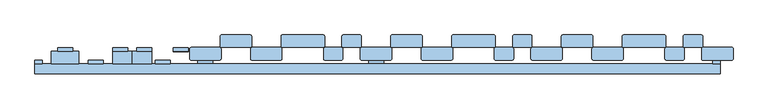
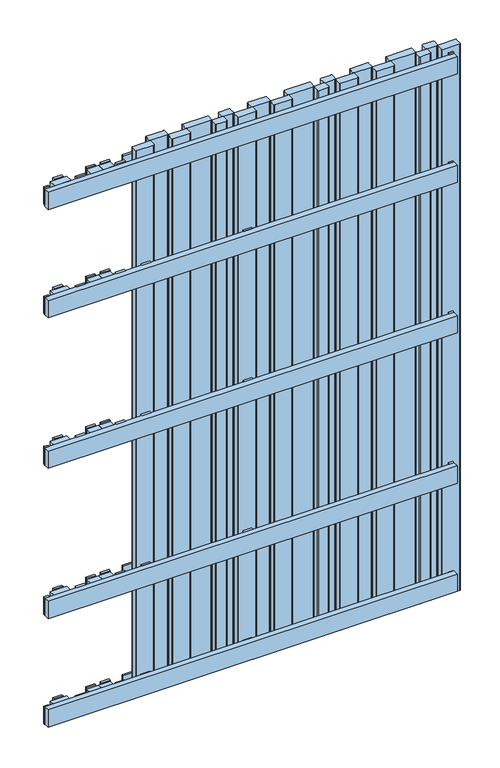
"""IFC4 building model written with IfcOpenShell, lengths in millimetres: window geometry."""

from ifc_helpers import new_model, si_unit, point, frame, frame_2d, origin, place, context, project, spatial, polyline, circle_curve, trimmed, segment, composite_curve, outline, extrude, source, transform, mapped, element, save


def window_98e68036(model_context):
    return source(origin(), model_context, "Body", "SweptSolid", [
        extrude(outline(polyline([(-419.0011808, 146.0), (-419.0011808, 153.9), (-388.0011808, 153.9), (-388.0011808, 146.0), (-419.0011808, 146.0)])), frame((0.0, 0.0, 518.5), z_axis=(0.0, 0.0, 1.0), x_axis=(1.0, 0.0, 0.0)), (0.0, 0.0, 1.0), 63.0),
        extrude(outline(polyline([(-419.0011808, 146.0), (-419.0011808, 153.9), (-388.0011808, 153.9), (-388.0011808, 146.0), (-419.0011808, 146.0)])), frame((0.0, 0.0, 2019.0), z_axis=(0.0, 0.0, 1.0), x_axis=(1.0, 0.0, 0.0)), (0.0, 0.0, 1.0), 63.0),
        extrude(outline(polyline([(-419.0011808, 146.0), (-419.0011808, 153.9), (-388.0011808, 153.9), (-388.0011808, 146.0), (-419.0011808, 146.0)])), frame((0.0, 0.0, 118.0), z_axis=(0.0, 0.0, 1.0), x_axis=(1.0, 0.0, 0.0)), (0.0, 0.0, 1.0), 63.0),
        extrude(outline(polyline([(-457.0011808, 120.0), (-457.0011808, 127.9), (-426.0011808, 127.9), (-426.0011808, 120.0), (-457.0011808, 120.0)])), frame((0.0, 0.0, 1618.5), z_axis=(0.0, 0.0, 1.0), x_axis=(1.0, 0.0, 0.0)), (0.0, 0.0, 1.0), 63.0),
        extrude(outline(polyline([(-457.0011808, 120.0), (-457.0011808, 127.9), (-426.0011808, 127.9), (-426.0011808, 120.0), (-457.0011808, 120.0)])), frame((0.0, 0.0, 1068.5), z_axis=(0.0, 0.0, 1.0), x_axis=(1.0, 0.0, 0.0)), (0.0, 0.0, 1.0), 63.0),
        extrude(outline(polyline([(-457.0011808, 120.0), (-457.0011808, 127.9), (-426.0011808, 127.9), (-426.0011808, 120.0), (-457.0011808, 120.0)])), frame((0.0, 0.0, 518.5), z_axis=(0.0, 0.0, 1.0), x_axis=(1.0, 0.0, 0.0)), (0.0, 0.0, 1.0), 63.0),
        extrude(outline(polyline([(-457.0011808, 120.0), (-457.0011808, 127.9), (-426.0011808, 127.9), (-426.0011808, 120.0), (-457.0011808, 120.0)])), frame((0.0, 0.0, 2019.0), z_axis=(0.0, 0.0, 1.0), x_axis=(1.0, 0.0, 0.0)), (0.0, 0.0, 1.0), 63.0),
        extrude(outline(polyline([(-457.0011808, 120.0), (-457.0011808, 127.9), (-426.0011808, 127.9), (-426.0011808, 120.0), (-457.0011808, 120.0)])), frame((0.0, 0.0, 118.0), z_axis=(0.0, 0.0, 1.0), x_axis=(1.0, 0.0, 0.0)), (0.0, 0.0, 1.0), 63.0),
        extrude(outline(polyline([(-504.0, 120.0), (-504.0, 146.0), (-464.0, 146.0), (-464.0, 120.0), (-504.0, 120.0)])), frame((0.0, 0.0, 1622.5), z_axis=(0.0, 0.0, 1.0), x_axis=(1.0, 0.0, 0.0)), (0.0, 0.0, 1.0), 55.0),
        extrude(outline(polyline([(-495.0, 146.0), (-495.0, 153.9), (-464.0, 153.9), (-464.0, 146.0), (-495.0, 146.0)])), frame((0.0, 0.0, 1618.5), z_axis=(0.0, 0.0, 1.0), x_axis=(1.0, 0.0, 0.0)), (0.0, 0.0, 1.0), 63.0),
        extrude(outline(polyline([(-504.0, 120.0), (-504.0, 146.0), (-464.0, 146.0), (-464.0, 120.0), (-504.0, 120.0)])), frame((0.0, 0.0, 2023.0), z_axis=(0.0, 0.0, 1.0), x_axis=(1.0, 0.0, 0.0)), (0.0, 0.0, 1.0), 55.0),
        extrude(outline(polyline([(-504.0, 120.0), (-504.0, 146.0), (-464.0, 146.0), (-464.0, 120.0), (-504.0, 120.0)])), frame((0.0, 0.0, 1072.5), z_axis=(0.0, 0.0, 1.0), x_axis=(1.0, 0.0, 0.0)), (0.0, 0.0, 1.0), 55.0),
        extrude(outline(polyline([(-504.0, 120.0), (-504.0, 146.0), (-464.0, 146.0), (-464.0, 120.0), (-504.0, 120.0)])), frame((0.0, 0.0, 522.5), z_axis=(0.0, 0.0, 1.0), x_axis=(1.0, 0.0, 0.0)), (0.0, 0.0, 1.0), 55.0),
        extrude(outline(polyline([(-504.0, 120.0), (-504.0, 146.0), (-464.0, 146.0), (-464.0, 120.0), (-504.0, 120.0)])), frame((0.0, 0.0, 121.986838), z_axis=(0.0, 0.0, 1.0), x_axis=(1.0, 0.0, 0.0)), (0.0, 0.0, 1.0), 55.0),
        extrude(outline(polyline([(-495.0, 146.0), (-495.0, 153.9), (-464.0, 153.9), (-464.0, 146.0), (-495.0, 146.0)])), frame((0.0, 0.0, 1068.5), z_axis=(0.0, 0.0, 1.0), x_axis=(1.0, 0.0, 0.0)), (0.0, 0.0, 1.0), 63.0),
        extrude(outline(polyline([(-495.0, 146.0), (-495.0, 153.9), (-464.0, 153.9), (-464.0, 146.0), (-495.0, 146.0)])), frame((0.0, 0.0, 518.5), z_axis=(0.0, 0.0, 1.0), x_axis=(1.0, 0.0, 0.0)), (0.0, 0.0, 1.0), 63.0),
        extrude(outline(polyline([(-495.0, 146.0), (-495.0, 153.9), (-464.0, 153.9), (-464.0, 146.0), (-495.0, 146.0)])), frame((0.0, 0.0, 2019.0), z_axis=(0.0, 0.0, 1.0), x_axis=(1.0, 0.0, 0.0)), (0.0, 0.0, 1.0), 63.0),
        extrude(outline(polyline([(-495.0, 146.0), (-495.0, 153.9), (-464.0, 153.9), (-464.0, 146.0), (-495.0, 146.0)])), frame((0.0, 0.0, 118.0), z_axis=(0.0, 0.0, 1.0), x_axis=(1.0, 0.0, 0.0)), (0.0, 0.0, 1.0), 63.0),
        extrude(outline(polyline([(-545.0, 120.0), (-545.0, 146.0), (-504.0, 146.0), (-504.0, 120.0), (-545.0, 120.0)])), frame((0.0, 0.0, 1622.5), z_axis=(0.0, 0.0, 1.0), x_axis=(1.0, 0.0, 0.0)), (0.0, 0.0, 1.0), 55.0),
        extrude(outline(polyline([(-545.0, 146.0), (-545.0, 153.9), (-514.0, 153.9), (-514.0, 146.0), (-545.0, 146.0)])), frame((0.0, 0.0, 1618.5), z_axis=(0.0, 0.0, 1.0), x_axis=(1.0, 0.0, 0.0)), (0.0, 0.0, 1.0), 63.0),
        extrude(outline(polyline([(-545.0, 120.0), (-545.0, 146.0), (-504.0, 146.0), (-504.0, 120.0), (-545.0, 120.0)])), frame((0.0, 0.0, 2023.0), z_axis=(0.0, 0.0, 1.0), x_axis=(1.0, 0.0, 0.0)), (0.0, 0.0, 1.0), 55.0),
        extrude(outline(polyline([(-545.0, 120.0), (-545.0, 146.0), (-504.0, 146.0), (-504.0, 120.0), (-545.0, 120.0)])), frame((0.0, 0.0, 1072.5), z_axis=(0.0, 0.0, 1.0), x_axis=(1.0, 0.0, 0.0)), (0.0, 0.0, 1.0), 55.0),
        extrude(outline(polyline([(-545.0, 120.0), (-545.0, 146.0), (-504.0, 146.0), (-504.0, 120.0), (-545.0, 120.0)])), frame((0.0, 0.0, 522.5), z_axis=(0.0, 0.0, 1.0), x_axis=(1.0, 0.0, 0.0)), (0.0, 0.0, 1.0), 55.0),
        extrude(outline(polyline([(-545.0, 120.0), (-545.0, 146.0), (-504.0, 146.0), (-504.0, 120.0), (-545.0, 120.0)])), frame((0.0, 0.0, 121.986838), z_axis=(0.0, 0.0, 1.0), x_axis=(1.0, 0.0, 0.0)), (0.0, 0.0, 1.0), 55.0),
        extrude(outline(polyline([(-545.0, 146.0), (-545.0, 153.9), (-514.0, 153.9), (-514.0, 146.0), (-545.0, 146.0)])), frame((0.0, 0.0, 1068.5), z_axis=(0.0, 0.0, 1.0), x_axis=(1.0, 0.0, 0.0)), (0.0, 0.0, 1.0), 63.0),
        extrude(outline(polyline([(-545.0, 146.0), (-545.0, 153.9), (-514.0, 153.9), (-514.0, 146.0), (-545.0, 146.0)])), frame((0.0, 0.0, 518.5), z_axis=(0.0, 0.0, 1.0), x_axis=(1.0, 0.0, 0.0)), (0.0, 0.0, 1.0), 63.0),
        extrude(outline(polyline([(-545.0, 146.0), (-545.0, 153.9), (-514.0, 153.9), (-514.0, 146.0), (-545.0, 146.0)])), frame((0.0, 0.0, 2019.0), z_axis=(0.0, 0.0, 1.0), x_axis=(1.0, 0.0, 0.0)), (0.0, 0.0, 1.0), 63.0),
        extrude(outline(polyline([(-545.0, 146.0), (-545.0, 153.9), (-514.0, 153.9), (-514.0, 146.0), (-545.0, 146.0)])), frame((0.0, 0.0, 118.0), z_axis=(0.0, 0.0, 1.0), x_axis=(1.0, 0.0, 0.0)), (0.0, 0.0, 1.0), 63.0),
        extrude(outline(polyline([(-595.5, 120.0), (-595.5, 127.9), (-564.5, 127.9), (-564.5, 120.0), (-595.5, 120.0)])), frame((0.0, 0.0, 1618.5), z_axis=(0.0, 0.0, 1.0), x_axis=(1.0, 0.0, 0.0)), (0.0, 0.0, 1.0), 63.0),
        extrude(outline(polyline([(-595.5, 120.0), (-595.5, 127.9), (-564.5, 127.9), (-564.5, 120.0), (-595.5, 120.0)])), frame((0.0, 0.0, 1068.5), z_axis=(0.0, 0.0, 1.0), x_axis=(1.0, 0.0, 0.0)), (0.0, 0.0, 1.0), 63.0),
        extrude(outline(polyline([(-595.5, 120.0), (-595.5, 127.9), (-564.5, 127.9), (-564.5, 120.0), (-595.5, 120.0)])), frame((0.0, 0.0, 518.5), z_axis=(0.0, 0.0, 1.0), x_axis=(1.0, 0.0, 0.0)), (0.0, 0.0, 1.0), 63.0),
        extrude(outline(polyline([(-595.5, 120.0), (-595.5, 127.9), (-564.5, 127.9), (-564.5, 120.0), (-595.5, 120.0)])), frame((0.0, 0.0, 2019.0), z_axis=(0.0, 0.0, 1.0), x_axis=(1.0, 0.0, 0.0)), (0.0, 0.0, 1.0), 63.0),
        extrude(outline(polyline([(-595.5, 120.0), (-595.5, 127.9), (-564.5, 127.9), (-564.5, 120.0), (-595.5, 120.0)])), frame((0.0, 0.0, 118.0), z_axis=(0.0, 0.0, 1.0), x_axis=(1.0, 0.0, 0.0)), (0.0, 0.0, 1.0), 63.0),
        extrude(outline(polyline([(-671.5, 120.0), (-671.5, 146.0), (-614.5, 146.0), (-614.5, 120.0), (-671.5, 120.0)])), frame((0.0, 0.0, 1622.5), z_axis=(0.0, 0.0, 1.0), x_axis=(1.0, 0.0, 0.0)), (0.0, 0.0, 1.0), 55.0),
        extrude(outline(polyline([(-658.5, 146.0), (-658.5, 153.9), (-627.5, 153.9), (-627.5, 146.0), (-658.5, 146.0)])), frame((0.0, 0.0, 1618.5), z_axis=(0.0, 0.0, 1.0), x_axis=(1.0, 0.0, 0.0)), (0.0, 0.0, 1.0), 63.0),
        extrude(outline(polyline([(-671.5, 120.0), (-671.5, 146.0), (-614.5, 146.0), (-614.5, 120.0), (-671.5, 120.0)])), frame((0.0, 0.0, 2023.0), z_axis=(0.0, 0.0, 1.0), x_axis=(1.0, 0.0, 0.0)), (0.0, 0.0, 1.0), 55.0),
        extrude(outline(polyline([(-671.5, 120.0), (-671.5, 146.0), (-614.5, 146.0), (-614.5, 120.0), (-671.5, 120.0)])), frame((0.0, 0.0, 1072.5), z_axis=(0.0, 0.0, 1.0), x_axis=(1.0, 0.0, 0.0)), (0.0, 0.0, 1.0), 55.0),
        extrude(outline(polyline([(-671.5, 120.0), (-671.5, 146.0), (-614.5, 146.0), (-614.5, 120.0), (-671.5, 120.0)])), frame((0.0, 0.0, 522.5), z_axis=(0.0, 0.0, 1.0), x_axis=(1.0, 0.0, 0.0)), (0.0, 0.0, 1.0), 55.0),
        extrude(outline(polyline([(-671.5, 120.0), (-671.5, 146.0), (-614.5, 146.0), (-614.5, 120.0), (-671.5, 120.0)])), frame((0.0, 0.0, 121.986838), z_axis=(0.0, 0.0, 1.0), x_axis=(1.0, 0.0, 0.0)), (0.0, 0.0, 1.0), 55.0),
        extrude(outline(polyline([(-658.5, 146.0), (-658.5, 153.9), (-627.5, 153.9), (-627.5, 146.0), (-658.5, 146.0)])), frame((0.0, 0.0, 1068.5), z_axis=(0.0, 0.0, 1.0), x_axis=(1.0, 0.0, 0.0)), (0.0, 0.0, 1.0), 63.0),
        extrude(outline(polyline([(-658.5, 146.0), (-658.5, 153.9), (-627.5, 153.9), (-627.5, 146.0), (-658.5, 146.0)])), frame((0.0, 0.0, 518.5), z_axis=(0.0, 0.0, 1.0), x_axis=(1.0, 0.0, 0.0)), (0.0, 0.0, 1.0), 63.0),
        extrude(outline(polyline([(-658.5, 146.0), (-658.5, 153.9), (-627.5, 153.9), (-627.5, 146.0), (-658.5, 146.0)])), frame((0.0, 0.0, 2019.0), z_axis=(0.0, 0.0, 1.0), x_axis=(1.0, 0.0, 0.0)), (0.0, 0.0, 1.0), 63.0),
        extrude(outline(polyline([(-658.5, 146.0), (-658.5, 153.9), (-627.5, 153.9), (-627.5, 146.0), (-658.5, 146.0)])), frame((0.0, 0.0, 118.0), z_axis=(0.0, 0.0, 1.0), x_axis=(1.0, 0.0, 0.0)), (0.0, 0.0, 1.0), 63.0),
        extrude(outline(polyline([(-15.5, 120.1), (-15.5, 128.0), (15.5, 128.0), (15.5, 120.1), (-15.5, 120.1)])), frame((0.0, 0.0, 1618.5), z_axis=(0.0, 0.0, 1.0), x_axis=(1.0, 0.0, 0.0)), (0.0, 0.0, 1.0), 63.0),
        extrude(outline(polyline([(-15.5, 120.1), (-15.5, 128.0), (15.5, 128.0), (15.5, 120.1), (-15.5, 120.1)])), frame((0.0, 0.0, 1068.5), z_axis=(0.0, 0.0, 1.0), x_axis=(1.0, 0.0, 0.0)), (0.0, 0.0, 1.0), 63.0),
        extrude(outline(polyline([(-15.5, 120.1), (-15.5, 128.0), (15.5, 128.0), (15.5, 120.1), (-15.5, 120.1)])), frame((0.0, 0.0, 518.5), z_axis=(0.0, 0.0, 1.0), x_axis=(1.0, 0.0, 0.0)), (0.0, 0.0, 1.0), 63.0),
        extrude(outline(polyline([(-15.5, 120.0), (-15.5, 127.9), (15.5, 127.9), (15.5, 120.0), (-15.5, 120.0)])), frame((0.0, 0.0, 118.0), z_axis=(0.0, 0.0, 1.0), x_axis=(1.0, 0.0, 0.0)), (0.0, 0.0, 1.0), 63.0),
        extrude(outline(polyline([(-368.5, 120.1), (-368.5, 128.0), (-337.5, 128.0), (-337.5, 120.1), (-368.5, 120.1)])), frame((0.0, 0.0, 1618.5), z_axis=(0.0, 0.0, 1.0), x_axis=(1.0, 0.0, 0.0)), (0.0, 0.0, 1.0), 63.0),
        extrude(outline(polyline([(-368.5, 120.1), (-368.5, 128.0), (-337.5, 128.0), (-337.5, 120.1), (-368.5, 120.1)])), frame((0.0, 0.0, 1068.5), z_axis=(0.0, 0.0, 1.0), x_axis=(1.0, 0.0, 0.0)), (0.0, 0.0, 1.0), 63.0),
        extrude(outline(polyline([(-368.5, 120.1), (-368.5, 128.0), (-337.5, 128.0), (-337.5, 120.1), (-368.5, 120.1)])), frame((0.0, 0.0, 518.5), z_axis=(0.0, 0.0, 1.0), x_axis=(1.0, 0.0, 0.0)), (0.0, 0.0, 1.0), 63.0),
        extrude(outline(polyline([(-368.5, 120.0), (-368.5, 127.9), (-337.5, 127.9), (-337.5, 120.0), (-368.5, 120.0)])), frame((0.0, 0.0, 118.0), z_axis=(0.0, 0.0, 1.0), x_axis=(1.0, 0.0, 0.0)), (0.0, 0.0, 1.0), 63.0),
        extrude(outline(polyline([(696.0, 120.0), (696.0, 127.9), (711.5, 127.9), (711.5, 120.0), (696.0, 120.0)])), frame((0.0, 0.0, 1618.5), z_axis=(0.0, 0.0, 1.0), x_axis=(1.0, 0.0, 0.0)), (0.0, 0.0, 1.0), 63.0),
        extrude(outline(polyline([(696.0, 120.0), (696.0, 127.9), (711.5, 127.9), (711.5, 120.0), (696.0, 120.0)])), frame((0.0, 0.0, 1068.5), z_axis=(0.0, 0.0, 1.0), x_axis=(1.0, 0.0, 0.0)), (0.0, 0.0, 1.0), 63.0),
        extrude(outline(polyline([(696.0, 120.0), (696.0, 127.9), (711.5, 127.9), (711.5, 120.0), (696.0, 120.0)])), frame((0.0, 0.0, 518.5), z_axis=(0.0, 0.0, 1.0), x_axis=(1.0, 0.0, 0.0)), (0.0, 0.0, 1.0), 63.0),
        extrude(outline(polyline([(696.0, 120.0), (696.0, 127.9), (711.5, 127.9), (711.5, 120.0), (696.0, 120.0)])), frame((0.0, 0.0, 2019.0), z_axis=(0.0, 0.0, 1.0), x_axis=(1.0, 0.0, 0.0)), (0.0, 0.0, 1.0), 63.0),
        extrude(outline(polyline([(696.0, 120.0), (696.0, 127.9), (711.5, 127.9), (711.5, 120.0), (696.0, 120.0)])), frame((0.0, 0.0, 118.0), z_axis=(0.0, 0.0, 1.0), x_axis=(1.0, 0.0, 0.0)), (0.0, 0.0, 1.0), 63.0),
        extrude(outline(polyline([(-690.0, 127.9), (-690.0, 120.0), (-705.5, 120.0), (-705.5, 127.9), (-690.0, 127.9)])), frame((0.0, 0.0, 1618.5), z_axis=(0.0, 0.0, 1.0), x_axis=(1.0, 0.0, 0.0)), (0.0, 0.0, 1.0), 63.0),
        extrude(outline(polyline([(-690.0, 127.9), (-690.0, 120.0), (-705.5, 120.0), (-705.5, 127.9), (-690.0, 127.9)])), frame((0.0, 0.0, 1068.5), z_axis=(0.0, 0.0, 1.0), x_axis=(1.0, 0.0, 0.0)), (0.0, 0.0, 1.0), 63.0),
        extrude(outline(polyline([(-690.0, 127.9), (-690.0, 120.0), (-705.5, 120.0), (-705.5, 127.9), (-690.0, 127.9)])), frame((0.0, 0.0, 518.5), z_axis=(0.0, 0.0, 1.0), x_axis=(1.0, 0.0, 0.0)), (0.0, 0.0, 1.0), 63.0),
        extrude(outline(polyline([(-690.0, 127.9), (-690.0, 120.0), (-705.5, 120.0), (-705.5, 127.9), (-690.0, 127.9)])), frame((0.0, 0.0, 2019.0), z_axis=(0.0, 0.0, 1.0), x_axis=(1.0, 0.0, 0.0)), (0.0, 0.0, 1.0), 63.0),
        extrude(outline(polyline([(-690.0, 127.9), (-690.0, 120.0), (-705.5, 120.0), (-705.5, 127.9), (-690.0, 127.9)])), frame((0.0, 0.0, 118.0), z_axis=(0.0, 0.0, 1.0), x_axis=(1.0, 0.0, 0.0)), (0.0, 0.0, 1.0), 63.0),
        extrude(outline(polyline([(-705.5, 100.0), (-705.5, 120.0), (711.5, 120.0), (711.5, 100.0), (-705.5, 100.0)])), frame((0.0, 0.0, 1618.5), z_axis=(0.0, 0.0, 1.0), x_axis=(1.0, 0.0, 0.0)), (0.0, 0.0, 1.0), 63.0),
        extrude(outline(polyline([(-705.5, 100.0), (-705.5, 120.0), (711.5, 120.0), (711.5, 100.0), (-705.5, 100.0)])), frame((0.0, 0.0, 1068.5), z_axis=(0.0, 0.0, 1.0), x_axis=(1.0, 0.0, 0.0)), (0.0, 0.0, 1.0), 63.0),
        extrude(outline(polyline([(-705.5, 100.0), (-705.5, 120.0), (711.5, 120.0), (711.5, 100.0), (-705.5, 100.0)])), frame((0.0, 0.0, 518.5), z_axis=(0.0, 0.0, 1.0), x_axis=(1.0, 0.0, 0.0)), (0.0, 0.0, 1.0), 63.0),
        extrude(outline(polyline([(-705.5, 100.0), (-705.5, 120.0), (711.5, 120.0), (711.5, 100.0), (-705.5, 100.0)])), frame((0.0, 0.0, 2015.0), z_axis=(0.0, 0.0, 1.0), x_axis=(1.0, 0.0, 0.0)), (0.0, 0.0, 1.0), 63.0),
        extrude(outline(polyline([(-705.5, 100.0), (-705.5, 120.0), (711.5, 120.0), (711.5, 100.0), (-705.5, 100.0)])), frame((0.0, 0.0, 122.0), z_axis=(0.0, 0.0, 1.0), x_axis=(1.0, 0.0, 0.0)), (0.0, 0.0, 1.0), 63.0),
        extrude(outline(composite_curve([segment(polyline([(320.5, 131.0), (320.5, 151.0)]), True, "CONTINUOUS"), segment(trimmed(circle_curve(frame_2d((323.5, 151.0)), 3.0), [point((320.5, 151.0))], [point((323.5, 154.0))], False, "CARTESIAN"), True, "CONTINUOUS"), segment(polyline([(323.5, 154.0), (382.5, 154.0)]), True, "CONTINUOUS"), segment(trimmed(circle_curve(frame_2d((382.5, 151.0)), 3.0), [point((382.5, 154.0))], [point((385.5, 151.0))], False, "CARTESIAN"), True, "CONTINUOUS"), segment(polyline([(385.5, 151.0), (385.5, 131.0)]), True, "CONTINUOUS"), segment(trimmed(circle_curve(frame_2d((382.5, 131.0)), 3.0), [point((385.5, 131.0))], [point((382.5, 128.0))], False, "CARTESIAN"), True, "CONTINUOUS"), segment(polyline([(382.5, 128.0), (323.5, 128.0)]), True, "CONTINUOUS"), segment(trimmed(circle_curve(frame_2d((323.5, 131.0)), 3.0), [point((323.5, 128.0))], [point((320.5, 131.0))], False, "CARTESIAN"), True, "CONTINUOUS")], self_intersect=False)), frame((0.0, 0.0, 100.0), z_axis=(0.0, 0.0, 1.0), x_axis=(1.0, 0.0, 0.0)), (0.0, 0.0, 1.0), 2000.0),
        extrude(outline(composite_curve([segment(polyline([(383.5, 157.0), (383.5, 177.0)]), True, "CONTINUOUS"), segment(trimmed(circle_curve(frame_2d((386.5, 177.0)), 3.0), [point((383.5, 177.0))], [point((386.5, 180.0))], False, "CARTESIAN"), True, "CONTINUOUS"), segment(polyline([(386.5, 180.0), (445.5, 180.0)]), True, "CONTINUOUS"), segment(trimmed(circle_curve(frame_2d((445.5, 177.0)), 3.0), [point((445.5, 180.0))], [point((448.5, 177.0))], False, "CARTESIAN"), True, "CONTINUOUS"), segment(polyline([(448.5, 177.0), (448.5, 157.0)]), True, "CONTINUOUS"), segment(trimmed(circle_curve(frame_2d((445.5, 157.0)), 3.0), [point((448.5, 157.0))], [point((445.5, 154.0))], False, "CARTESIAN"), True, "CONTINUOUS"), segment(polyline([(445.5, 154.0), (386.5, 154.0)]), True, "CONTINUOUS"), segment(trimmed(circle_curve(frame_2d((386.5, 157.0)), 3.0), [point((386.5, 154.0))], [point((383.5, 157.0))], False, "CARTESIAN"), True, "CONTINUOUS")], self_intersect=False)), frame((0.0, 0.0, 100.0), z_axis=(0.0, 0.0, 1.0), x_axis=(1.0, 0.0, 0.0)), (0.0, 0.0, 1.0), 2000.0),
        extrude(outline(composite_curve([segment(polyline([(446.5, 131.0), (446.5, 151.0)]), True, "CONTINUOUS"), segment(trimmed(circle_curve(frame_2d((449.5, 151.0)), 3.0), [point((446.5, 151.0))], [point((449.5, 154.0))], False, "CARTESIAN"), True, "CONTINUOUS"), segment(polyline([(449.5, 154.0), (508.5, 154.0)]), True, "CONTINUOUS"), segment(trimmed(circle_curve(frame_2d((508.5, 151.0)), 3.0), [point((508.5, 154.0))], [point((511.5, 151.0))], False, "CARTESIAN"), True, "CONTINUOUS"), segment(polyline([(511.5, 151.0), (511.5, 131.0)]), True, "CONTINUOUS"), segment(trimmed(circle_curve(frame_2d((508.5, 131.0)), 3.0), [point((511.5, 131.0))], [point((508.5, 128.0))], False, "CARTESIAN"), True, "CONTINUOUS"), segment(polyline([(508.5, 128.0), (449.5, 128.0)]), True, "CONTINUOUS"), segment(trimmed(circle_curve(frame_2d((449.5, 131.0)), 3.0), [point((449.5, 128.0))], [point((446.5, 131.0))], False, "CARTESIAN"), True, "CONTINUOUS")], self_intersect=False)), frame((0.0, 0.0, 100.0), z_axis=(0.0, 0.0, 1.0), x_axis=(1.0, 0.0, 0.0)), (0.0, 0.0, 1.0), 2000.0),
        extrude(outline(composite_curve([segment(polyline([(509.5, 157.0), (509.5, 177.0)]), True, "CONTINUOUS"), segment(trimmed(circle_curve(frame_2d((512.5, 177.0)), 3.0), [point((509.5, 177.0))], [point((512.5, 180.0))], False, "CARTESIAN"), True, "CONTINUOUS"), segment(polyline([(512.5, 180.0), (596.4988192, 180.0)]), True, "CONTINUOUS"), segment(trimmed(circle_curve(frame_2d((596.4988192, 177.0)), 3.0), [point((596.4988192, 180.0))], [point((599.4988192, 177.0))], False, "CARTESIAN"), True, "CONTINUOUS"), segment(polyline([(599.4988192, 177.0), (599.4988192, 157.0)]), True, "CONTINUOUS"), segment(trimmed(circle_curve(frame_2d((596.4988192, 157.0)), 3.0), [point((599.4988192, 157.0))], [point((596.4988192, 154.0))], False, "CARTESIAN"), True, "CONTINUOUS"), segment(polyline([(596.4988192, 154.0), (512.5, 154.0)]), True, "CONTINUOUS"), segment(trimmed(circle_curve(frame_2d((512.5, 157.0)), 3.0), [point((512.5, 154.0))], [point((509.5, 157.0))], False, "CARTESIAN"), True, "CONTINUOUS")], self_intersect=False)), frame((0.0, 0.0, 100.0), z_axis=(0.0, 0.0, 1.0), x_axis=(1.0, 0.0, 0.0)), (0.0, 0.0, 1.0), 2000.0),
        extrude(outline(composite_curve([segment(trimmed(circle_curve(frame_2d((672.4820433, 157.0)), 3.0), [point((675.4820433, 157.0))], [point((672.4820433, 154.0))], False, "CARTESIAN"), True, "CONTINUOUS"), segment(polyline([(672.4820433, 154.0), (638.4904313, 154.0)]), True, "CONTINUOUS"), segment(trimmed(circle_curve(frame_2d((638.4904313, 157.0)), 3.0), [point((638.4904313, 154.0))], [point((635.4904313, 157.0))], False, "CARTESIAN"), True, "CONTINUOUS"), segment(polyline([(635.4904313, 157.0), (635.4904313, 177.0)]), True, "CONTINUOUS"), segment(trimmed(circle_curve(frame_2d((638.4904313, 177.0)), 3.0), [point((635.4904313, 177.0))], [point((638.4904313, 180.0))], False, "CARTESIAN"), True, "CONTINUOUS"), segment(polyline([(638.4904313, 180.0), (672.4820433, 180.0)]), True, "CONTINUOUS"), segment(trimmed(circle_curve(frame_2d((672.4820433, 177.0)), 3.0), [point((672.4820433, 180.0))], [point((675.4820433, 177.0))], False, "CARTESIAN"), True, "CONTINUOUS"), segment(polyline([(675.4820433, 177.0), (675.4820433, 157.0)]), True, "CONTINUOUS")], self_intersect=False)), frame((0.0, 0.0, 100.0), z_axis=(0.0, 0.0, 1.0), x_axis=(1.0, 0.0, 0.0)), (0.0, 0.0, 1.0), 2000.0),
        extrude(outline(composite_curve([segment(trimmed(circle_curve(frame_2d((634.4904313, 131.0)), 3.0), [point((637.4904313, 131.0))], [point((634.4904313, 128.0))], False, "CARTESIAN"), True, "CONTINUOUS"), segment(polyline([(634.4904313, 128.0), (600.4988192, 128.0)]), True, "CONTINUOUS"), segment(trimmed(circle_curve(frame_2d((600.4988192, 131.0)), 3.0), [point((600.4988192, 128.0))], [point((597.4988192, 131.0))], False, "CARTESIAN"), True, "CONTINUOUS"), segment(polyline([(597.4988192, 131.0), (597.4988192, 151.0)]), True, "CONTINUOUS"), segment(trimmed(circle_curve(frame_2d((600.4988192, 151.0)), 3.0), [point((597.4988192, 151.0))], [point((600.4988192, 154.0))], False, "CARTESIAN"), True, "CONTINUOUS"), segment(polyline([(600.4988192, 154.0), (634.4904313, 154.0)]), True, "CONTINUOUS"), segment(trimmed(circle_curve(frame_2d((634.4904313, 151.0)), 3.0), [point((634.4904313, 154.0))], [point((637.4904313, 151.0))], False, "CARTESIAN"), True, "CONTINUOUS"), segment(polyline([(637.4904313, 151.0), (637.4904313, 131.0)]), True, "CONTINUOUS")], self_intersect=False)), frame((0.0, 0.0, 100.0), z_axis=(0.0, 0.0, 1.0), x_axis=(1.0, 0.0, 0.0)), (0.0, 0.0, 1.0), 2000.0),
        extrude(outline(composite_curve([segment(polyline([(-32.5, 131.0), (-32.5, 151.0)]), True, "CONTINUOUS"), segment(trimmed(circle_curve(frame_2d((-29.5, 151.0)), 3.0), [point((-32.5, 151.0))], [point((-29.5, 154.0))], False, "CARTESIAN"), True, "CONTINUOUS"), segment(polyline([(-29.5, 154.0), (29.5, 154.0)]), True, "CONTINUOUS"), segment(trimmed(circle_curve(frame_2d((29.5, 151.0)), 3.0), [point((29.5, 154.0))], [point((32.5, 151.0))], False, "CARTESIAN"), True, "CONTINUOUS"), segment(polyline([(32.5, 151.0), (32.5, 131.0)]), True, "CONTINUOUS"), segment(trimmed(circle_curve(frame_2d((29.5, 131.0)), 3.0), [point((32.5, 131.0))], [point((29.5, 128.0))], False, "CARTESIAN"), True, "CONTINUOUS"), segment(polyline([(29.5, 128.0), (-29.5, 128.0)]), True, "CONTINUOUS"), segment(trimmed(circle_curve(frame_2d((-29.5, 131.0)), 3.0), [point((-29.5, 128.0))], [point((-32.5, 131.0))], False, "CARTESIAN"), True, "CONTINUOUS")], self_intersect=False)), frame((0.0, 0.0, 100.0), z_axis=(0.0, 0.0, 1.0), x_axis=(1.0, 0.0, 0.0)), (0.0, 0.0, 1.0), 2000.0),
        extrude(outline(composite_curve([segment(polyline([(30.5, 157.0), (30.5, 177.0)]), True, "CONTINUOUS"), segment(trimmed(circle_curve(frame_2d((33.5, 177.0)), 3.0), [point((30.5, 177.0))], [point((33.5, 180.0))], False, "CARTESIAN"), True, "CONTINUOUS"), segment(polyline([(33.5, 180.0), (92.5, 180.0)]), True, "CONTINUOUS"), segment(trimmed(circle_curve(frame_2d((92.5, 177.0)), 3.0), [point((92.5, 180.0))], [point((95.5, 177.0))], False, "CARTESIAN"), True, "CONTINUOUS"), segment(polyline([(95.5, 177.0), (95.5, 157.0)]), True, "CONTINUOUS"), segment(trimmed(circle_curve(frame_2d((92.5, 157.0)), 3.0), [point((95.5, 157.0))], [point((92.5, 154.0))], False, "CARTESIAN"), True, "CONTINUOUS"), segment(polyline([(92.5, 154.0), (33.5, 154.0)]), True, "CONTINUOUS"), segment(trimmed(circle_curve(frame_2d((33.5, 157.0)), 3.0), [point((33.5, 154.0))], [point((30.5, 157.0))], False, "CARTESIAN"), True, "CONTINUOUS")], self_intersect=False)), frame((0.0, 0.0, 100.0), z_axis=(0.0, 0.0, 1.0), x_axis=(1.0, 0.0, 0.0)), (0.0, 0.0, 1.0), 2000.0),
        extrude(outline(composite_curve([segment(polyline([(93.5, 131.0), (93.5, 151.0)]), True, "CONTINUOUS"), segment(trimmed(circle_curve(frame_2d((96.5, 151.0)), 3.0), [point((93.5, 151.0))], [point((96.5, 154.0))], False, "CARTESIAN"), True, "CONTINUOUS"), segment(polyline([(96.5, 154.0), (155.5, 154.0)]), True, "CONTINUOUS"), segment(trimmed(circle_curve(frame_2d((155.5, 151.0)), 3.0), [point((155.5, 154.0))], [point((158.5, 151.0))], False, "CARTESIAN"), True, "CONTINUOUS"), segment(polyline([(158.5, 151.0), (158.5, 131.0)]), True, "CONTINUOUS"), segment(trimmed(circle_curve(frame_2d((155.5, 131.0)), 3.0), [point((158.5, 131.0))], [point((155.5, 128.0))], False, "CARTESIAN"), True, "CONTINUOUS"), segment(polyline([(155.5, 128.0), (96.5, 128.0)]), True, "CONTINUOUS"), segment(trimmed(circle_curve(frame_2d((96.5, 131.0)), 3.0), [point((96.5, 128.0))], [point((93.5, 131.0))], False, "CARTESIAN"), True, "CONTINUOUS")], self_intersect=False)), frame((0.0, 0.0, 100.0), z_axis=(0.0, 0.0, 1.0), x_axis=(1.0, 0.0, 0.0)), (0.0, 0.0, 1.0), 2000.0),
        extrude(outline(composite_curve([segment(polyline([(156.5, 157.0), (156.5, 177.0)]), True, "CONTINUOUS"), segment(trimmed(circle_curve(frame_2d((159.5, 177.0)), 3.0), [point((156.5, 177.0))], [point((159.5, 180.0))], False, "CARTESIAN"), True, "CONTINUOUS"), segment(polyline([(159.5, 180.0), (243.4988192, 180.0)]), True, "CONTINUOUS"), segment(trimmed(circle_curve(frame_2d((243.4988192, 177.0)), 3.0), [point((243.4988192, 180.0))], [point((246.4988192, 177.0))], False, "CARTESIAN"), True, "CONTINUOUS"), segment(polyline([(246.4988192, 177.0), (246.4988192, 157.0)]), True, "CONTINUOUS"), segment(trimmed(circle_curve(frame_2d((243.4988192, 157.0)), 3.0), [point((246.4988192, 157.0))], [point((243.4988192, 154.0))], False, "CARTESIAN"), True, "CONTINUOUS"), segment(polyline([(243.4988192, 154.0), (159.5, 154.0)]), True, "CONTINUOUS"), segment(trimmed(circle_curve(frame_2d((159.5, 157.0)), 3.0), [point((159.5, 154.0))], [point((156.5, 157.0))], False, "CARTESIAN"), True, "CONTINUOUS")], self_intersect=False)), frame((0.0, 0.0, 100.0), z_axis=(0.0, 0.0, 1.0), x_axis=(1.0, 0.0, 0.0)), (0.0, 0.0, 1.0), 2000.0),
        extrude(outline(composite_curve([segment(trimmed(circle_curve(frame_2d((319.4820433, 157.0)), 3.0), [point((322.4820433, 157.0))], [point((319.4820433, 154.0))], False, "CARTESIAN"), True, "CONTINUOUS"), segment(polyline([(319.4820433, 154.0), (285.4904313, 154.0)]), True, "CONTINUOUS"), segment(trimmed(circle_curve(frame_2d((285.4904313, 157.0)), 3.0), [point((285.4904313, 154.0))], [point((282.4904313, 157.0))], False, "CARTESIAN"), True, "CONTINUOUS"), segment(polyline([(282.4904313, 157.0), (282.4904313, 177.0)]), True, "CONTINUOUS"), segment(trimmed(circle_curve(frame_2d((285.4904313, 177.0)), 3.0), [point((282.4904313, 177.0))], [point((285.4904313, 180.0))], False, "CARTESIAN"), True, "CONTINUOUS"), segment(polyline([(285.4904313, 180.0), (319.4820433, 180.0)]), True, "CONTINUOUS"), segment(trimmed(circle_curve(frame_2d((319.4820433, 177.0)), 3.0), [point((319.4820433, 180.0))], [point((322.4820433, 177.0))], False, "CARTESIAN"), True, "CONTINUOUS"), segment(polyline([(322.4820433, 177.0), (322.4820433, 157.0)]), True, "CONTINUOUS")], self_intersect=False)), frame((0.0, 0.0, 100.0), z_axis=(0.0, 0.0, 1.0), x_axis=(1.0, 0.0, 0.0)), (0.0, 0.0, 1.0), 2000.0),
        extrude(outline(composite_curve([segment(trimmed(circle_curve(frame_2d((281.4904313, 131.0)), 3.0), [point((284.4904313, 131.0))], [point((281.4904313, 128.0))], False, "CARTESIAN"), True, "CONTINUOUS"), segment(polyline([(281.4904313, 128.0), (247.4988192, 128.0)]), True, "CONTINUOUS"), segment(trimmed(circle_curve(frame_2d((247.4988192, 131.0)), 3.0), [point((247.4988192, 128.0))], [point((244.4988192, 131.0))], False, "CARTESIAN"), True, "CONTINUOUS"), segment(polyline([(244.4988192, 131.0), (244.4988192, 151.0)]), True, "CONTINUOUS"), segment(trimmed(circle_curve(frame_2d((247.4988192, 151.0)), 3.0), [point((244.4988192, 151.0))], [point((247.4988192, 154.0))], False, "CARTESIAN"), True, "CONTINUOUS"), segment(polyline([(247.4988192, 154.0), (281.4904313, 154.0)]), True, "CONTINUOUS"), segment(trimmed(circle_curve(frame_2d((281.4904313, 151.0)), 3.0), [point((281.4904313, 154.0))], [point((284.4904313, 151.0))], False, "CARTESIAN"), True, "CONTINUOUS"), segment(polyline([(284.4904313, 151.0), (284.4904313, 131.0)]), True, "CONTINUOUS")], self_intersect=False)), frame((0.0, 0.0, 100.0), z_axis=(0.0, 0.0, 1.0), x_axis=(1.0, 0.0, 0.0)), (0.0, 0.0, 1.0), 2000.0),
        extrude(outline(composite_curve([segment(polyline([(-385.5, 131.0), (-385.5, 151.0)]), True, "CONTINUOUS"), segment(trimmed(circle_curve(frame_2d((-382.5, 151.0)), 3.0), [point((-385.5, 151.0))], [point((-382.5, 154.0))], False, "CARTESIAN"), True, "CONTINUOUS"), segment(polyline([(-382.5, 154.0), (-323.5, 154.0)]), True, "CONTINUOUS"), segment(trimmed(circle_curve(frame_2d((-323.5, 151.0)), 3.0), [point((-323.5, 154.0))], [point((-320.5, 151.0))], False, "CARTESIAN"), True, "CONTINUOUS"), segment(polyline([(-320.5, 151.0), (-320.5, 131.0)]), True, "CONTINUOUS"), segment(trimmed(circle_curve(frame_2d((-323.5, 131.0)), 3.0), [point((-320.5, 131.0))], [point((-323.5, 128.0))], False, "CARTESIAN"), True, "CONTINUOUS"), segment(polyline([(-323.5, 128.0), (-382.5, 128.0)]), True, "CONTINUOUS"), segment(trimmed(circle_curve(frame_2d((-382.5, 131.0)), 3.0), [point((-382.5, 128.0))], [point((-385.5, 131.0))], False, "CARTESIAN"), True, "CONTINUOUS")], self_intersect=False)), frame((0.0, 0.0, 100.0), z_axis=(0.0, 0.0, 1.0), x_axis=(1.0, 0.0, 0.0)), (0.0, 0.0, 1.0), 2000.0),
        extrude(outline(composite_curve([segment(polyline([(-322.5, 157.0), (-322.5, 177.0)]), True, "CONTINUOUS"), segment(trimmed(circle_curve(frame_2d((-319.5, 177.0)), 3.0), [point((-322.5, 177.0))], [point((-319.5, 180.0))], False, "CARTESIAN"), True, "CONTINUOUS"), segment(polyline([(-319.5, 180.0), (-260.5, 180.0)]), True, "CONTINUOUS"), segment(trimmed(circle_curve(frame_2d((-260.5, 177.0)), 3.0), [point((-260.5, 180.0))], [point((-257.5, 177.0))], False, "CARTESIAN"), True, "CONTINUOUS"), segment(polyline([(-257.5, 177.0), (-257.5, 157.0)]), True, "CONTINUOUS"), segment(trimmed(circle_curve(frame_2d((-260.5, 157.0)), 3.0), [point((-257.5, 157.0))], [point((-260.5, 154.0))], False, "CARTESIAN"), True, "CONTINUOUS"), segment(polyline([(-260.5, 154.0), (-319.5, 154.0)]), True, "CONTINUOUS"), segment(trimmed(circle_curve(frame_2d((-319.5, 157.0)), 3.0), [point((-319.5, 154.0))], [point((-322.5, 157.0))], False, "CARTESIAN"), True, "CONTINUOUS")], self_intersect=False)), frame((0.0, 0.0, 100.0), z_axis=(0.0, 0.0, 1.0), x_axis=(1.0, 0.0, 0.0)), (0.0, 0.0, 1.0), 2000.0),
        extrude(outline(composite_curve([segment(polyline([(-259.5, 131.0), (-259.5, 151.0)]), True, "CONTINUOUS"), segment(trimmed(circle_curve(frame_2d((-256.5, 151.0)), 3.0), [point((-259.5, 151.0))], [point((-256.5, 154.0))], False, "CARTESIAN"), True, "CONTINUOUS"), segment(polyline([(-256.5, 154.0), (-197.5, 154.0)]), True, "CONTINUOUS"), segment(trimmed(circle_curve(frame_2d((-197.5, 151.0)), 3.0), [point((-197.5, 154.0))], [point((-194.5, 151.0))], False, "CARTESIAN"), True, "CONTINUOUS"), segment(polyline([(-194.5, 151.0), (-194.5, 131.0)]), True, "CONTINUOUS"), segment(trimmed(circle_curve(frame_2d((-197.5, 131.0)), 3.0), [point((-194.5, 131.0))], [point((-197.5, 128.0))], False, "CARTESIAN"), True, "CONTINUOUS"), segment(polyline([(-197.5, 128.0), (-256.5, 128.0)]), True, "CONTINUOUS"), segment(trimmed(circle_curve(frame_2d((-256.5, 131.0)), 3.0), [point((-256.5, 128.0))], [point((-259.5, 131.0))], False, "CARTESIAN"), True, "CONTINUOUS")], self_intersect=False)), frame((0.0, 0.0, 100.0), z_axis=(0.0, 0.0, 1.0), x_axis=(1.0, 0.0, 0.0)), (0.0, 0.0, 1.0), 2000.0),
        extrude(outline(composite_curve([segment(polyline([(-196.5, 157.0), (-196.5, 177.0)]), True, "CONTINUOUS"), segment(trimmed(circle_curve(frame_2d((-193.5, 177.0)), 3.0), [point((-196.5, 177.0))], [point((-193.5, 180.0))], False, "CARTESIAN"), True, "CONTINUOUS"), segment(polyline([(-193.5, 180.0), (-109.5011808, 180.0)]), True, "CONTINUOUS"), segment(trimmed(circle_curve(frame_2d((-109.5011808, 177.0)), 3.0), [point((-109.5011808, 180.0))], [point((-106.5011808, 177.0))], False, "CARTESIAN"), True, "CONTINUOUS"), segment(polyline([(-106.5011808, 177.0), (-106.5011808, 157.0)]), True, "CONTINUOUS"), segment(trimmed(circle_curve(frame_2d((-109.5011808, 157.0)), 3.0), [point((-106.5011808, 157.0))], [point((-109.5011808, 154.0))], False, "CARTESIAN"), True, "CONTINUOUS"), segment(polyline([(-109.5011808, 154.0), (-193.5, 154.0)]), True, "CONTINUOUS"), segment(trimmed(circle_curve(frame_2d((-193.5, 157.0)), 3.0), [point((-193.5, 154.0))], [point((-196.5, 157.0))], False, "CARTESIAN"), True, "CONTINUOUS")], self_intersect=False)), frame((0.0, 0.0, 100.0), z_axis=(0.0, 0.0, 1.0), x_axis=(1.0, 0.0, 0.0)), (0.0, 0.0, 1.0), 2000.0),
        extrude(outline(composite_curve([segment(trimmed(circle_curve(frame_2d((-33.5179567, 157.0)), 3.0), [point((-30.5179567, 157.0))], [point((-33.5179567, 154.0))], False, "CARTESIAN"), True, "CONTINUOUS"), segment(polyline([(-33.5179567, 154.0), (-67.5095687, 154.0)]), True, "CONTINUOUS"), segment(trimmed(circle_curve(frame_2d((-67.5095687, 157.0)), 3.0), [point((-67.5095687, 154.0))], [point((-70.5095687, 157.0))], False, "CARTESIAN"), True, "CONTINUOUS"), segment(polyline([(-70.5095687, 157.0), (-70.5095687, 177.0)]), True, "CONTINUOUS"), segment(trimmed(circle_curve(frame_2d((-67.5095687, 177.0)), 3.0), [point((-70.5095687, 177.0))], [point((-67.5095687, 180.0))], False, "CARTESIAN"), True, "CONTINUOUS"), segment(polyline([(-67.5095687, 180.0), (-33.5179567, 180.0)]), True, "CONTINUOUS"), segment(trimmed(circle_curve(frame_2d((-33.5179567, 177.0)), 3.0), [point((-33.5179567, 180.0))], [point((-30.5179567, 177.0))], False, "CARTESIAN"), True, "CONTINUOUS"), segment(polyline([(-30.5179567, 177.0), (-30.5179567, 157.0)]), True, "CONTINUOUS")], self_intersect=False)), frame((0.0, 0.0, 100.0), z_axis=(0.0, 0.0, 1.0), x_axis=(1.0, 0.0, 0.0)), (0.0, 0.0, 1.0), 2000.0),
        extrude(outline(composite_curve([segment(trimmed(circle_curve(frame_2d((-71.5095687, 131.0)), 3.0), [point((-68.5095687, 131.0))], [point((-71.5095687, 128.0))], False, "CARTESIAN"), True, "CONTINUOUS"), segment(polyline([(-71.5095687, 128.0), (-105.5011808, 128.0)]), True, "CONTINUOUS"), segment(trimmed(circle_curve(frame_2d((-105.5011808, 131.0)), 3.0), [point((-105.5011808, 128.0))], [point((-108.5011808, 131.0))], False, "CARTESIAN"), True, "CONTINUOUS"), segment(polyline([(-108.5011808, 131.0), (-108.5011808, 151.0)]), True, "CONTINUOUS"), segment(trimmed(circle_curve(frame_2d((-105.5011808, 151.0)), 3.0), [point((-108.5011808, 151.0))], [point((-105.5011808, 154.0))], False, "CARTESIAN"), True, "CONTINUOUS"), segment(polyline([(-105.5011808, 154.0), (-71.5095687, 154.0)]), True, "CONTINUOUS"), segment(trimmed(circle_curve(frame_2d((-71.5095687, 151.0)), 3.0), [point((-71.5095687, 154.0))], [point((-68.5095687, 151.0))], False, "CARTESIAN"), True, "CONTINUOUS"), segment(polyline([(-68.5095687, 151.0), (-68.5095687, 131.0)]), True, "CONTINUOUS")], self_intersect=False)), frame((0.0, 0.0, 100.0), z_axis=(0.0, 0.0, 1.0), x_axis=(1.0, 0.0, 0.0)), (0.0, 0.0, 1.0), 2000.0),
        extrude(outline(composite_curve([segment(polyline([(673.5, 130.0), (673.5, 152.0)]), True, "CONTINUOUS"), segment(trimmed(circle_curve(frame_2d((675.5, 152.0)), 2.0), [point((673.5, 152.0))], [point((675.5, 154.0))], False, "CARTESIAN"), True, "CONTINUOUS"), segment(polyline([(675.5, 154.0), (736.5, 154.0)]), True, "CONTINUOUS"), segment(trimmed(circle_curve(frame_2d((736.5, 152.0)), 2.0), [point((736.5, 154.0))], [point((738.5, 152.0))], False, "CARTESIAN"), True, "CONTINUOUS"), segment(polyline([(738.5, 152.0), (738.5, 130.0)]), True, "CONTINUOUS"), segment(trimmed(circle_curve(frame_2d((736.5, 130.0)), 2.0), [point((738.5, 130.0))], [point((736.5, 128.0))], False, "CARTESIAN"), True, "CONTINUOUS"), segment(polyline([(736.5, 128.0), (675.5, 128.0)]), True, "CONTINUOUS"), segment(trimmed(circle_curve(frame_2d((675.5, 130.0)), 2.0), [point((675.5, 128.0))], [point((673.5, 130.0))], False, "CARTESIAN"), True, "CONTINUOUS")], self_intersect=False)), frame((0.0, 0.0, 100.0), z_axis=(0.0, 0.0, 1.0), x_axis=(1.0, 0.0, 0.0)), (0.0, 0.0, 1.0), 2000.0),
    ])


if __name__ == "__main__":
    model = new_model("IFC4")
    model_context = context("Model", 3, world=origin())
    ifc_project = project(units=[si_unit("LENGTHUNIT", "METRE", prefix="MILLI")], contexts=[model_context])
    site = spatial("IfcSite", under=ifc_project)
    building = spatial("IfcBuilding", under=site)
    placement = place(None, origin())
    window_shape = window_98e68036(model_context)
    element("IfcWindow", 1, at=placement, inside=building, context=model_context, shape_type="MappedRepresentation", body=[
        mapped(window_shape, transform((0.0, 0.0, 0.0), x_axis=(1.0, 0.0, 0.0), y_axis=(0.0, 1.0, 0.0), z_axis=(0.0, 0.0, 1.0))),
    ])
    save(model, "model.ifc")
